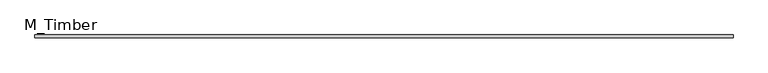
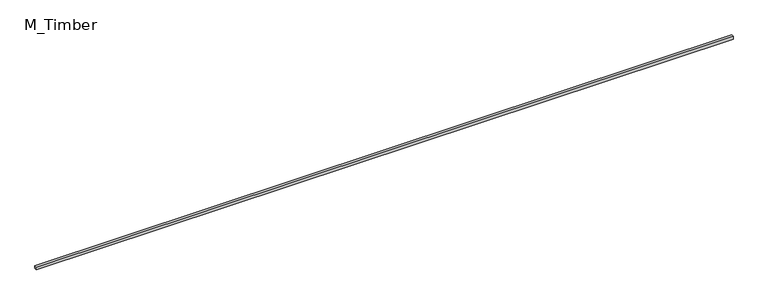
"""IFC4 building model written with IfcOpenShell, lengths in millimetres: beam geometry, M_Timber."""

from ifc_helpers import new_model, si_unit, frame, origin, place, context, project, spatial, polyline, outline, extrude, source, transform, mapped, element, save


def m_timber_88dca6aa(model_context):
    return source(origin(), model_context, "Body", "SweptSolid", [
        extrude(outline(polyline([(7728.6205515, 30.0), (7728.6205515, -30.0), (-7728.6205515, -30.0), (-7728.6205515, 30.0), (7728.6205515, 30.0)])), frame((0.0, 0.0, -30.0), z_axis=(0.0, 0.0, 1.0), x_axis=(1.0, 0.0, 0.0)), (0.0, 0.0, 1.0), 60.0),
    ])


if __name__ == "__main__":
    model = new_model("IFC4")
    model_context = context("Model", 3, world=origin())
    ifc_project = project(units=[si_unit("LENGTHUNIT", "METRE", prefix="MILLI")], contexts=[model_context])
    site = spatial("IfcSite", under=ifc_project)
    building = spatial("IfcBuilding", under=site)
    placement = place(None, origin())
    m_timber_shape = m_timber_88dca6aa(model_context)
    element("IfcBeam", 1, ObjectType="M_Timber", at=placement, inside=building, context=model_context, shape_type="MappedRepresentation", body=[
        mapped(m_timber_shape, transform((0.0, 0.0, 0.0), x_axis=(1.0, 0.0, 0.0), y_axis=(0.0, 1.0, 0.0), z_axis=(0.0, 0.0, 1.0))),
    ])
    save(model, "model.ifc")
